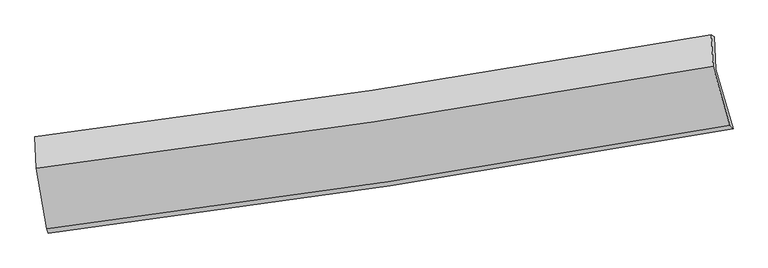
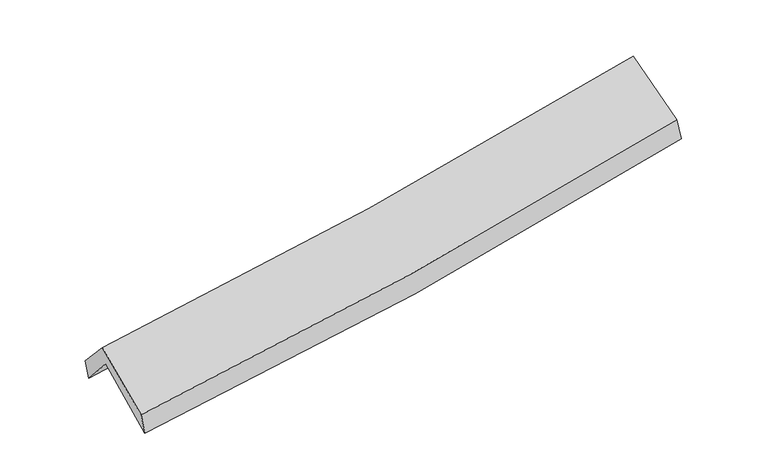
"""IFC4 building model written with IfcOpenShell, lengths in millimetres: proxy geometry."""

from ifc_helpers import new_model, si_unit, frame, origin, place, context, project, spatial, source, transform, mapped, element, save
from ifc_brep_helpers import plane_surface, spline_curve, spline_surface, advanced_brep


def generic_models_b8de3872(model_context):
    return source(origin(), model_context, "Body", "AdvancedBrep", [
        advanced_brep(
        [(-2746.6511853, -2505.3317974, 1466.1971856), (-2832.5086601, -2003.9716432, 1899.2461726), (2772.5813501, -1149.625287, 2381.0559955), (2914.7625605, -1641.3495844, 1954.1602742), (-2843.8821156, -1743.4283745, 1595.3486611), (2760.8458359, -880.787973, 2067.4843145), (-2858.2405337, -1710.0798301, 1761.7414833), (2735.4331056, -867.5119313, 2257.8059698), (-2845.8247557, -1968.7371513, 2045.5452488), (2748.8907828, -1126.9068012, 2542.6753933), (-2761.4131978, -2470.1639215, 1635.6258034), (2886.7282257, -1613.1711495, 2143.4351886)],
        [
            (0, 1),
            (1, 2, spline_curve(3, [(-2832.5086601, -2003.9716432, 1899.2461726), (-1897.00168261, -1882.444494232, 1950.576311376), (-964.33046509, -1750.865926399, 2016.137326595), (904.086468749, -1466.273783828, 2176.471630964), (1839.778587988, -1313.070232797, 2271.513890076), (2772.5813501, -1149.625287, 2381.0559955)], [4, 2, 4], [0.0, 9.339980177641696, 18.767812071668775])),
            (2, 3),
            (3, 0, spline_curve(3, [(2914.7625605, -1641.3495844, 1954.1602742), (1973.115360417, -1812.242711921, 1838.563556053), (1028.284033332, -1969.963444536, 1739.990577416), (-858.91294669, -2257.713169517, 1577.652002092), (-1801.219535222, -2387.986508118, 1513.570617988), (-2746.6511853, -2505.3317974, 1466.1971856)], [4, 2, 4], [0.0, 9.42783189402708, 18.767812071668775])),
            (1, 4),
            (4, 5, spline_curve(3, [(-2843.8821156, -1743.4283745, 1595.3486611), (-1910.735441092, -1609.908365671, 1653.034917069), (-979.279789147, -1471.620583789, 1720.990216), (888.994822197, -1184.163896568, 1878.174677816), (1825.781820868, -1034.904877712, 1967.597929888), (2760.8458359, -880.787973, 2067.4843145)], [4, 2, 4], [0.0, 9.292078846309224, 18.67155884978479])),
            (5, 2),
            (4, 6),
            (6, 7, spline_curve(3, [(-2858.2405337, -1710.0798301, 1761.7414833), (-1924.261570712, -1592.497294146, 1816.744976838), (-993.300415417, -1463.872635871, 1885.328060539), (871.314502523, -1183.225370842, 2050.426229365), (1804.911226618, -1030.994062864, 2147.19797426), (2735.4331056, -867.5119313, 2257.8059698)], [4, 2, 4], [0.0, 9.282437526487907, 18.65218552402951])),
            (7, 5),
            (6, 8),
            (8, 9, spline_curve(3, [(-2845.8247557, -1968.7371513, 2045.5452488), (-1911.671889089, -1851.550252881, 2101.011479654), (-980.537360734, -1723.185227449, 2169.914990083), (884.424866788, -1442.78638211, 2335.371067987), (1818.195517898, -1290.541291027, 2432.17760518), (2748.8907828, -1126.9068012, 2542.6753933)], [4, 2, 4], [0.0, 9.274259604726929, 18.635752759095567])),
            (9, 7),
            (8, 10),
            (10, 11, spline_curve(3, [(-2761.4131978, -2470.1639215, 1635.6258034), (-1818.405021103, -2353.115821799, 1690.693905233), (-878.411537931, -2223.568786978, 1760.279044601), (1004.35924866, -1938.140764916, 1929.274461034), (1947.079573658, -1782.023542383, 2028.959117152), (2886.7282257, -1613.1711495, 2143.4351886)], [4, 2, 4], [0.0, 9.320849356978675, 18.72937048612453])),
            (11, 9),
            (10, 0),
            (3, 11),
        ],
        [
            spline_surface(3, 3, [[(-2746.6511853, -2505.3317974, 1466.1971856), (-1801.219535081, -2387.986508061, 1513.570617984), (-858.912946839, -2257.713169605, 1577.652002165), (1028.284033483, -1969.963444447, 1739.990577342), (1973.115360509, -1812.242711934, 1838.563556021), (2914.7625605, -1641.3495844, 1954.1602742)], [(-2775.270343564, -2338.211745993, 1610.546847939), (-1833.146917601, -2219.472503411, 1659.239182454), (-894.052119612, -2088.764088512, 1723.813776966), (986.884845214, -1802.066890923, 1885.484261888), (1928.669769644, -1645.85188562, 1982.880334041), (2867.368823687, -1477.441485291, 2096.458847953)], [(-2803.889501836, -2171.091694607, 1754.896510261), (-1865.074300128, -2050.958498783, 1804.907746906), (-929.191292315, -1919.815007432, 1869.975551773), (945.485657016, -1634.170337412, 2030.977946441), (1884.224178819, -1479.461059232, 2127.197112102), (2819.975086913, -1313.533386109, 2238.757421747)], [(-2832.5086601, -2003.9716432, 1899.2461726), (-1897.001682649, -1882.444494133, 1950.576311376), (-964.330465089, -1750.865926339, 2016.137326573), (904.086468748, -1466.273783889, 2176.471630987), (1839.778587953, -1313.070232919, 2271.513890122), (2772.5813501, -1149.625287, 2381.0559955)]], [4, 4], [4, 2, 4], [0.0, 2.224847885843645], [0.0, 9.339980177641696, 18.767812071668775]),
            spline_surface(3, 3, [[(-2832.5086601, -2003.9716432, 1899.2461726), (-1897.001682649, -1882.444494133, 1950.576311376), (-964.330465089, -1750.865926339, 2016.137326573), (904.086468748, -1466.273783889, 2176.471630987), (1839.778587953, -1313.070232919, 2271.513890122), (2772.5813501, -1149.625287, 2381.0559955)], [(-2836.299811927, -1917.12388697, 1797.947002079), (-1901.579602174, -1791.599117971, 1851.395846559), (-969.313573136, -1657.784145531, 1917.754956408), (899.055919941, -1372.23715474, 2077.039313237), (1835.112998925, -1220.348447823, 2170.208570001), (2768.669512042, -1060.012848994, 2276.532101822)], [(-2840.090963773, -1830.27613073, 1696.647831621), (-1906.157521719, -1700.7537418, 1752.215381806), (-974.296681207, -1564.702364722, 1819.372586243), (894.025371111, -1278.20052559, 1977.606995487), (1830.447409871, -1127.626662745, 2068.903249915), (2764.757673958, -970.400411006, 2172.008208178)], [(-2843.8821156, -1743.4283745, 1595.3486611), (-1910.735441244, -1609.908365637, 1653.034916989), (-979.279789254, -1471.620583914, 1720.990216078), (888.994822305, -1184.163896441, 1878.174677737), (1825.781820842, -1034.904877649, 1967.597929794), (2760.8458359, -880.787973, 2067.4843145)]], [4, 4], [4, 2, 4], [0.0, 1.3409999415698284], [0.0, 9.292078846309224, 18.67155884978479]),
            spline_surface(3, 3, [[(-2843.8821156, -1743.4283745, 1595.3486611), (-1910.735441244, -1609.908365637, 1653.034916989), (-979.279789254, -1471.620583914, 1720.990216078), (888.994822305, -1184.163896441, 1878.174677737), (1825.781820842, -1034.904877649, 1967.597929794), (2760.8458359, -880.787973, 2067.4843145)], [(-2848.668254974, -1732.312193027, 1650.812935167), (-1915.244151088, -1604.104675184, 1707.604936977), (-983.953331245, -1469.037934594, 1775.769497611), (883.101382343, -1183.851054526, 1935.591861572), (1818.824956117, -1033.601272679, 2027.46461132), (2752.37492579, -876.362625755, 2130.924866275)], [(-2853.454394326, -1721.196011573, 1706.277209233), (-1919.752860909, -1598.300984752, 1762.174956965), (-988.626873281, -1466.455285304, 1830.548779136), (877.207942338, -1183.538212642, 1993.009045399), (1811.868091421, -1032.297667744, 2087.33129282), (2743.90401571, -871.937278545, 2194.365418025)], [(-2858.2405337, -1710.0798301, 1761.7414833), (-1924.261570752, -1592.497294299, 1816.744976952), (-993.300415272, -1463.872635984, 1885.328060669), (871.314502376, -1183.225370728, 2050.426229234), (1804.911226696, -1030.994062773, 2147.197974345), (2735.4331056, -867.5119313, 2257.8059698)]], [4, 4], [4, 2, 4], [0.0, 0.5548988050057058], [0.0, 9.282437526487907, 18.65218552402951]),
            spline_surface(3, 3, [[(-2858.2405337, -1710.0798301, 1761.7414833), (-1924.261570752, -1592.497294299, 1816.744976952), (-993.300415272, -1463.872635984, 1885.328060669), (871.314502376, -1183.225370728, 2050.426229234), (1804.911226696, -1030.994062773, 2147.197974345), (2735.4331056, -867.5119313, 2257.8059698)], [(-2854.101941045, -1796.298937158, 1856.342738459), (-1920.065010198, -1678.848280448, 1911.500477804), (-989.046063765, -1550.310166449, 1980.190370509), (875.684623814, -1269.745707896, 2145.407842093), (1809.339323766, -1117.509805479, 2242.191184661), (2739.918998012, -953.976887924, 2352.762444292)], [(-2849.963348355, -1882.518044242, 1950.943993641), (-1915.868449608, -1765.199266623, 2006.25597868), (-984.7917122, -1636.747696889, 2075.052680383), (880.054745309, -1356.266045038, 2240.389454986), (1813.767420799, -1204.025548214, 2337.184395002), (2744.404890388, -1040.441844576, 2447.718918808)], [(-2845.8247557, -1968.7371513, 2045.5452488), (-1911.671889054, -1851.550252771, 2101.011479532), (-980.537360692, -1723.185227354, 2169.914990223), (884.424866746, -1442.786382206, 2335.371067845), (1818.19551787, -1290.541290921, 2432.177605317), (2748.8907828, -1126.9068012, 2542.6753933)]], [4, 4], [4, 2, 4], [0.0, 1.2645840255294054], [0.0, 9.274259604726929, 18.635752759095567]),
            spline_surface(3, 3, [[(-2845.8247557, -1968.7371513, 2045.5452488), (-1911.671889054, -1851.550252771, 2101.011479532), (-980.537360692, -1723.185227354, 2169.914990223), (884.424866746, -1442.786382206, 2335.371067845), (1818.19551787, -1290.541290921, 2432.177605317), (2748.8907828, -1126.9068012, 2542.6753933)], [(-2817.687569732, -2135.879408034, 1908.90543367), (-1880.582933043, -2018.738775772, 1964.238954798), (-946.495419827, -1889.979747212, 2033.369674974), (924.402994097, -1607.904509805, 2200.005532271), (1861.156869812, -1454.368708118, 2297.771442562), (2794.836597105, -1288.994917299, 2409.595325086)], [(-2789.550383768, -2303.021664766, 1772.26561853), (-1849.493977034, -2185.927298769, 1827.466430053), (-912.453478947, -2056.774267051, 1896.824359744), (964.381121462, -1773.022637386, 2064.639996715), (1904.11822174, -1618.196125318, 2163.365279751), (2840.782411395, -1451.083033401, 2276.515256814)], [(-2761.4131978, -2470.1639215, 1635.6258034), (-1818.405021022, -2353.115821769, 1690.693905318), (-878.411538082, -2223.568786908, 1760.279044495), (1004.359248812, -1938.140764986, 1929.274461141), (1947.079573683, -1782.023542515, 2028.959116997), (2886.7282257, -1613.1711495, 2143.4351886)]], [4, 4], [4, 2, 4], [0.0, 2.142711268139032], [0.0, 9.320849356978675, 18.72937048612453]),
            spline_surface(3, 3, [[(-2761.4131978, -2470.1639215, 1635.6258034), (-1818.405021022, -2353.115821769, 1690.693905318), (-878.411538082, -2223.568786908, 1760.279044495), (1004.359248812, -1938.140764986, 1929.274461141), (1947.079573683, -1782.023542515, 2028.959116997), (2886.7282257, -1613.1711495, 2143.4351886)], [(-2756.492526957, -2481.886546819, 1579.149597486), (-1812.676525699, -2364.739383886, 1631.65280956), (-871.912007643, -2234.950247807, 1699.403363735), (1012.334177061, -1948.748324806, 1866.179833225), (1955.758169289, -1792.096598992, 1965.49393001), (2896.073003964, -1622.563961138, 2080.343550472)], [(-2751.571856143, -2493.609172081, 1522.673391514), (-1806.948030404, -2376.362945944, 1572.611713743), (-865.412477278, -2246.331708707, 1638.527682925), (1020.309105234, -1959.355884627, 1803.085205258), (1964.436764903, -1802.169655456, 1902.028743007), (2905.417782236, -1631.956772762, 2017.251912328)], [(-2746.6511853, -2505.3317974, 1466.1971856), (-1801.219535081, -2387.986508061, 1513.570617984), (-858.912946839, -2257.713169605, 1577.652002165), (1028.284033483, -1969.963444447, 1739.990577342), (1973.115360509, -1812.242711934, 1838.563556021), (2914.7625605, -1641.3495844, 1954.1602742)]], [4, 4], [4, 2, 4], [0.0, 0.6237951052867403], [0.0, 9.376945534992963, 18.84209048197969]),
            plane_surface(frame((2803.2069768, -1213.2254544, 2224.4361893), z_axis=(0.9765697191734689, 0.18007327534664289, 0.1178354747068322), x_axis=(0.2140051972396096, -0.754969735129001, -0.619856817816568))),
            plane_surface(frame((-2814.753408, -2066.9521196, 1733.9507591), z_axis=(-0.9912997248676868, -0.1159442923411659, -0.06230390477935532), x_axis=(-0.08500108697073924, 0.20250000988187844, 0.9755862653869375))),
        ],
        [
            (0, [[1, 2, 3, 4]]),
            (1, [[5, 6, 7, -2]]),
            (2, [[8, 9, 10, -6]]),
            (3, [[11, 12, 13, -9]]),
            (4, [[14, 15, 16, -12]]),
            (5, [[17, -4, 18, -15]]),
            (6, [[-16, -18, -3, -7, -10, -13]]),
            (7, [[-17, -14, -11, -8, -5, -1]]),
        ],
    ),
    ])


if __name__ == "__main__":
    model = new_model("IFC4")
    model_context = context("Model", 3, world=origin())
    ifc_project = project(units=[si_unit("LENGTHUNIT", "METRE", prefix="MILLI")], contexts=[model_context])
    site = spatial("IfcSite", under=ifc_project)
    building = spatial("IfcBuilding", under=site)
    placement = place(None, origin())
    generic_models_shape = generic_models_b8de3872(model_context)
    element("IfcBuildingElementProxy", 1, Name="Generic Models", at=placement, inside=building, context=model_context, shape_type="MappedRepresentation", body=[
        mapped(generic_models_shape, transform((0.0, 0.0, 0.0), x_axis=(1.0, 0.0, 0.0), y_axis=(0.0, 1.0, 0.0), z_axis=(0.0, 0.0, 1.0))),
    ])
    save(model, "model.ifc")
